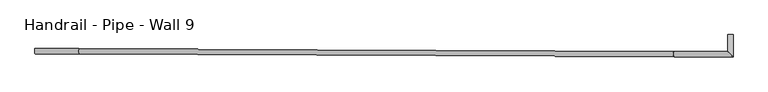
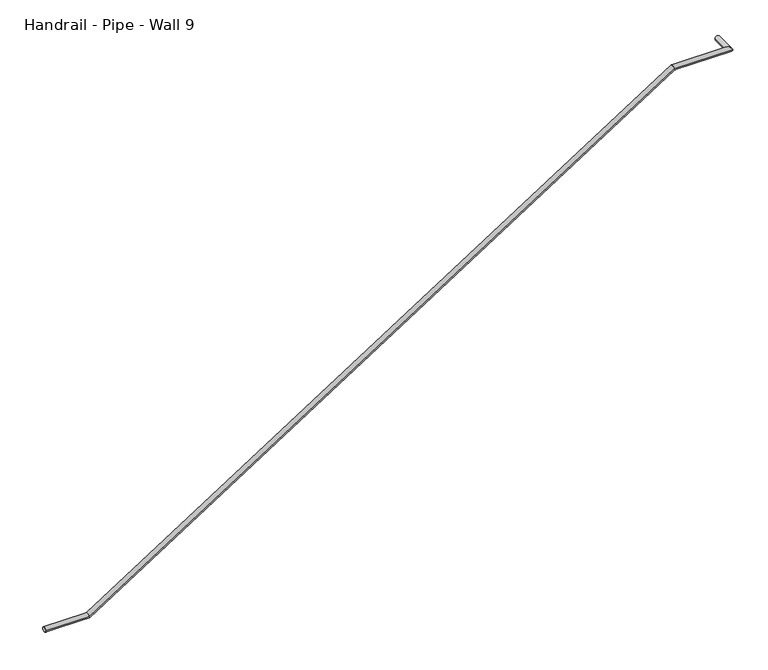
"""IFC4 building model written with IfcOpenShell, lengths in millimetres: railing geometry, Handrail - Pipe - Wall 9."""

from ifc_helpers import new_model, si_unit, frame, origin, place, context, project, spatial, circle_curve, ellipse_curve, source, transform, mapped, element, save
from ifc_brep_helpers import plane_surface, cylinder_surface, advanced_brep


def handrail_pipe_wall_9_081d9200(model_context):
    return source(origin(), model_context, "Body", "AdvancedBrep", [
        advanced_brep(
        [(-25001.1719373, 38038.3373927, -12922.25), (-25000.9953976, 38076.4369837, -12922.25), (-24670.3056063, 38074.9046869, -12922.25), (-24670.482146, 38036.8050959, -12922.25), (-20234.9937637, 38054.3530568, -10064.75), (-20235.1703034, 38016.2534658, -10064.75), (-19832.3026343, 38052.4871319, -10064.75), (-19794.2026343, 38014.2101812, -10064.75), (-19794.2026343, 38180.1447363, -10064.75), (-19832.3026343, 38180.1447363, -10064.75)],
        [
            (0, 1, circle_curve(frame((-25001.0836674, 38057.3871882, -12922.25), z_axis=(-0.9999892648717109, 0.0046335883864699395, 0.0), x_axis=(0.0046335883864699395, 0.9999892648717109, 0.0)), 19.05)),
            (1, 0, circle_curve(frame((-25001.0836674, 38057.3871882, -12922.25), z_axis=(-0.9999892648717109, 0.0046335883864699395, 0.0), x_axis=(0.0046335883864699395, 0.9999892648717109, 0.0)), 19.05)),
            (1, 2),
            (2, 3, ellipse_curve(frame((-24670.3938761, 38055.8548914, -12922.25), z_axis=(-0.9593237826800227, 0.004445159257646808, -0.28227313110472757), x_axis=(-0.2822701008664524, 0.0013079375020947947, 0.9593340812544572)), 19.8575245, 19.05)),
            (3, 0),
            (3, 2, ellipse_curve(frame((-24670.3938761, 38055.8548914, -12922.25), z_axis=(-0.9593237826800227, 0.004445159257646808, -0.28227313110472757), x_axis=(-0.2822701008664524, 0.0013079375020947947, 0.9593340812544572)), 19.8575245, 19.05)),
            (2, 4),
            (4, 5, ellipse_curve(frame((-20235.0820336, 38035.3032613, -10064.75), z_axis=(-0.9593237826800227, 0.004445159257650066, -0.28227313110472757), x_axis=(0.2822701008664527, -0.0013079375021058687, -0.9593340812544571)), 19.8575245, 19.05)),
            (5, 3),
            (5, 4, ellipse_curve(frame((-20235.0820336, 38035.3032613, -10064.75), z_axis=(-0.9593237826800227, 0.004445159257650066, -0.28227313110472757), x_axis=(0.2822701008664527, -0.0013079375021058687, -0.9593340812544571)), 19.8575245, 19.05)),
            (4, 6),
            (6, 7, ellipse_curve(frame((-19813.2526343, 38033.3486565, -10064.75), z_axis=(-0.7087431087447947, -0.7054666581822022, 0.0), x_axis=(-0.7054666581822021, 0.7087431087447947, 0.0)), 27.0034023, 19.05)),
            (7, 5),
            (7, 6, ellipse_curve(frame((-19813.2526343, 38033.3486565, -10064.75), z_axis=(-0.7087431087447947, -0.7054666581822022, 0.0), x_axis=(-0.7054666581822021, 0.7087431087447947, 0.0)), 27.0034023, 19.05)),
            (8, 9, circle_curve(frame((-19813.2526343, 38180.1447363, -10064.75), z_axis=(0.0, 1.0, 0.0), x_axis=(-1.0, 0.0, 0.0)), 19.05)),
            (9, 8, circle_curve(frame((-19813.2526343, 38180.1447363, -10064.75), z_axis=(0.0, 1.0, 0.0), x_axis=(-1.0, 0.0, 0.0)), 19.05)),
            (6, 9),
            (8, 7),
        ],
        [
            plane_surface(frame((-25001.0836674, 38057.3871882, -12903.2), z_axis=(-0.9999892648717109, 0.0046335883864699395, 0.0), x_axis=(0.0046335883864699395, 0.9999892648717109, 0.0))),
            cylinder_surface(frame((-25001.0836674, 38057.3871882, -12922.25), z_axis=(-0.9999892648717109, 0.0046335883864699395, 0.0), x_axis=(0.0046335883864699395, 0.9999892648717109, 0.0)), 19.05),
            cylinder_surface(frame((-24665.681912, 38055.8330579, -12919.2142636), z_axis=(-0.8406347344940693, 0.0038951971584587517, -0.5415884697823455), x_axis=(0.004633588386472523, 0.999989264871711, 0.0)), 19.05),
            cylinder_surface(frame((-20240.687219, 38035.3292337, -10064.75), z_axis=(-0.999989264871711, 0.004633588386476191, 0.0), x_axis=(0.004633588386476191, 0.999989264871711, 0.0)), 19.05),
            plane_surface(frame((-19813.2526343, 38180.1447363, -10045.7), z_axis=(0.0, 1.0, 0.0), x_axis=(0.0, 0.0, 1.0))),
            cylinder_surface(frame((-19813.2526343, 38033.3486565, -10064.75), z_axis=(0.0, -1.0, 0.0), x_axis=(-1.0, 0.0, 0.0)), 19.05),
        ],
        [
            (0, [[1, 2]]),
            (1, [[-2, 3, 4, 5]]),
            (1, [[-1, -5, 6, -3]]),
            (2, [[-4, 7, 8, 9]]),
            (2, [[-6, -9, 10, -7]]),
            (3, [[-8, 11, 12, 13]]),
            (3, [[-10, -13, 14, -11]]),
            (4, [[15, 16]]),
            (5, [[-12, 17, -15, 18]]),
            (5, [[-14, -18, -16, -17]]),
        ],
    ),
    ])


if __name__ == "__main__":
    model = new_model("IFC4")
    model_context = context("Model", 3, world=origin())
    ifc_project = project(units=[si_unit("LENGTHUNIT", "METRE", prefix="MILLI")], contexts=[model_context])
    site = spatial("IfcSite", under=ifc_project)
    building = spatial("IfcBuilding", under=site)
    placement = place(None, origin())
    handrail_pipe_wall_9_shape = handrail_pipe_wall_9_081d9200(model_context)
    element("IfcRailing", 1, ObjectType="Handrail - Pipe - Wall 9", at=placement, inside=building, context=model_context, shape_type="MappedRepresentation", body=[
        mapped(handrail_pipe_wall_9_shape, transform((0.0, 0.0, 0.0), x_axis=(1.0, 0.0, 0.0), y_axis=(0.0, 1.0, 0.0), z_axis=(0.0, 0.0, 1.0))),
    ])
    save(model, "model.ifc")
